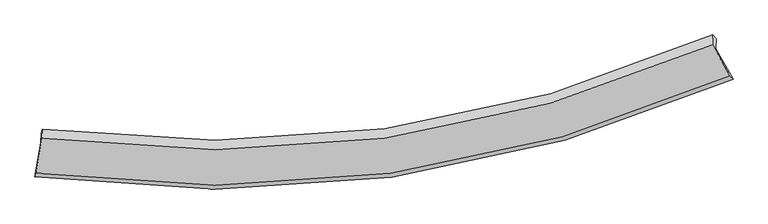
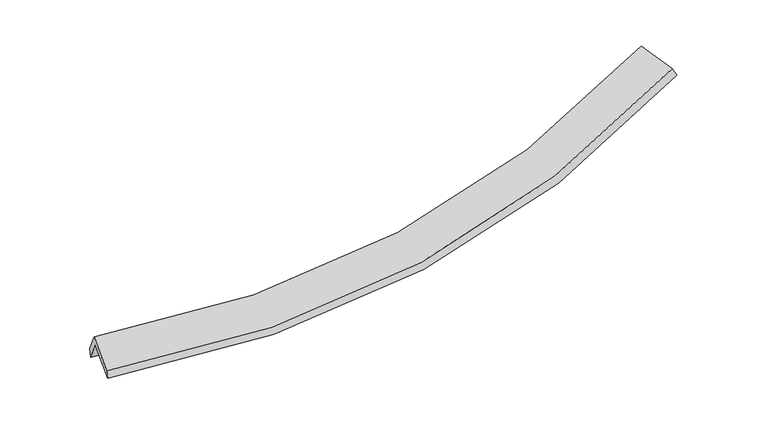
"""IFC4 building model written with IfcOpenShell, lengths in millimetres: proxy geometry."""

from ifc_helpers import new_model, si_unit, frame, origin, place, context, project, spatial, source, transform, mapped, element, save
from ifc_brep_helpers import plane_surface, spline_curve, spline_surface, advanced_brep


def generic_models_b352f3f7(model_context):
    return source(origin(), model_context, "Body", "AdvancedBrep", [
        advanced_brep(
        [(-6099.4674658, -2698.3568441, 1473.5217741), (-5995.4704789, -2101.9451339, 1764.3338116), (5845.5879413, -448.0197766, 2741.0408402), (6148.2817205, -984.0867986, 2486.4386702), (-5989.3496946, -1928.7662882, 1406.981222), (5851.6365879, -276.8819635, 2387.8998984), (-5971.1965888, -1857.2541059, 1546.1394701), (5793.4501006, -206.44162, 2499.250685), (-5976.9584574, -2020.2779454, 1882.5373192), (5787.24076, -382.1260415, 2861.7735018), (-6084.1855639, -2635.2140496, 1582.6927348), (6091.1070224, -920.2695169, 2606.1851313)],
        [
            (0, 1),
            (1, 2, spline_curve(3, [(-5995.4704789, -2101.9451339, 1764.3338116), (-3929.719360106, -2386.25450141, 1652.256394813), (-1913.661115245, -2392.173125612, 1676.776774651), (2034.122063233, -1845.143123608, 2000.246479232), (3965.08329259, -1287.916047228, 2301.295109077), (5845.5879413, -448.0197766, 2741.0408402)], [4, 2, 4], [0.0, 20.183593194019306, 40.521690897700665])),
            (2, 3),
            (3, 0, spline_curve(3, [(6148.2817205, -984.0867986, 2486.4386702), (4203.080884042, -1842.852342058, 2036.440459281), (2205.745067151, -2414.545226642, 1727.244591899), (-1877.627105049, -2981.623474342, 1391.736795234), (-3962.874349525, -2981.353938295, 1363.293697877), (-6099.4674658, -2698.3568441, 1473.5217741)], [4, 2, 4], [0.0, 20.33809770368136, 40.521690897700665])),
            (1, 4),
            (4, 5, spline_curve(3, [(-5989.3496946, -1928.7662882, 1406.981222), (-3923.545254528, -2211.567010123, 1291.790731151), (-1907.466213481, -2216.897226377, 1315.096938712), (2040.293419292, -1670.533425993, 1639.941342741), (3971.209806024, -1114.575101423, 1943.608028035), (5851.6365879, -276.8819635, 2387.8998984)], [4, 2, 4], [0.0, 19.84663353701498, 39.845192172480104])),
            (5, 2),
            (4, 6),
            (6, 7, spline_curve(3, [(-5971.1965888, -1857.2541059, 1546.1394701), (-3921.502129907, -2125.160623165, 1438.610794943), (-1919.822005758, -2123.103982067, 1463.462865495), (2002.464799832, -1576.982085052, 1779.132109135), (3922.333571685, -1028.767897128, 2071.983776831), (5793.4501006, -206.44162, 2499.250685)], [4, 2, 4], [0.0, 19.776526450213538, 39.70444133224081])),
            (7, 5),
            (6, 8),
            (8, 9, spline_curve(3, [(-5976.9584574, -2020.2779454, 1882.5373192), (-3927.279566255, -2288.624924736, 1775.91753258), (-1925.644260962, -2287.83637304, 1803.386290564), (1996.493837031, -1745.92194989, 2127.737610215), (3916.258270281, -1200.659867517, 2426.680912801), (5787.24076, -382.1260415, 2861.7735018)], [4, 2, 4], [0.0, 19.70644047207939, 39.56373287092202])),
            (9, 7),
            (8, 10),
            (10, 11, spline_curve(3, [(-6084.1855639, -2635.2140496, 1582.6927348), (-3958.314320878, -2914.647180025, 1472.00545314), (-1884.440546347, -2913.072160636, 1501.092656167), (2174.789439692, -2345.742659146, 1840.108663366), (4159.346527338, -1775.669501364, 2152.185592057), (6091.1070224, -920.2695169, 2606.1851313)], [4, 2, 4], [0.0, 20.05582992234898, 40.26518633218862])),
            (11, 9),
            (10, 0),
            (3, 11),
        ],
        [
            spline_surface(3, 3, [[(-6099.4674658, -2698.3568441, 1473.5217741), (-3962.87434962, -2981.353938096, 1363.29369774), (-1877.627104762, -2981.623474161, 1391.73679552), (2205.745066862, -2414.545226824, 1727.244591611), (4203.080884084, -1842.852342274, 2036.440459226), (6148.2817205, -984.0867986, 2486.4386702)], [(-6064.801803494, -2499.552940688, 1570.459119911), (-3951.822686333, -2782.987459238, 1459.614596719), (-1889.638441626, -2785.140024586, 1486.750121813), (2148.537399062, -2224.744525819, 1818.245220879), (4123.748353532, -1657.873577347, 2124.725342581), (6047.383794095, -805.397791269, 2571.306060214)], [(-6030.136141206, -2300.749037312, 1667.396465789), (-3940.771023065, -2584.620980417, 1555.935495763), (-1901.64977855, -2588.656574999, 1581.763448141), (2091.329731203, -2034.943824802, 1909.245850182), (4044.415822994, -1472.894812413, 2213.010225892), (5946.485867705, -626.708783931, 2656.173450186)], [(-5995.4704789, -2101.9451339, 1764.3338116), (-3929.719359779, -2386.254501558, 1652.256394742), (-1913.661115414, -2392.173125424, 1676.776774434), (2034.122063404, -1845.143123797, 2000.246479451), (3965.083292442, -1287.916047485, 2301.295109247), (5845.5879413, -448.0197766, 2741.0408402)]], [4, 4], [4, 2, 4], [0.0, 2.1372372602917578], [0.0, 20.183593194019306, 40.521690897700665]),
            spline_surface(3, 3, [[(-5995.4704789, -2101.9451339, 1764.3338116), (-3929.719359779, -2386.254501558, 1652.256394742), (-1913.661115414, -2392.173125424, 1676.776774434), (2034.122063404, -1845.143123797, 2000.246479451), (3965.083292442, -1287.916047485, 2301.295109247), (5845.5879413, -448.0197766, 2741.0408402)], [(-5993.430217491, -2044.218851998, 1645.216281736), (-3927.661324651, -2328.025337688, 1532.101173624), (-1911.596148116, -2333.747825684, 1556.216829166), (2036.179182022, -1786.939891228, 1880.144767279), (3967.125463592, -1230.135732188, 2182.066082083), (5847.604156815, -390.973838903, 2623.327192909)], [(-5991.389956009, -1986.492570102, 1526.098751864), (-3925.603289451, -2269.796173824, 1411.945952497), (-1909.531180783, -2275.322525982, 1435.656883843), (2038.236300677, -1728.736658698, 1760.043055052), (3969.167634796, -1172.355416882, 2062.837054993), (5849.620372385, -333.927901197, 2505.613545691)], [(-5989.3496946, -1928.7662882, 1406.981222), (-3923.545254324, -2211.567009954, 1291.790731379), (-1907.466213484, -2216.897226242, 1315.096938574), (2040.293419295, -1670.533426129, 1639.94134288), (3971.209805946, -1114.575101585, 1943.608027829), (5851.6365879, -276.8819635, 2387.8998984)]], [4, 4], [4, 2, 4], [0.0, 1.3162427097203926], [0.0, 19.84663353701498, 39.845192172480104]),
            spline_surface(3, 3, [[(-5989.3496946, -1928.7662882, 1406.981222), (-3923.545254324, -2211.567009954, 1291.790731379), (-1907.466213484, -2216.897226242, 1315.096938574), (2040.293419295, -1670.533426129, 1639.94134288), (3971.209805946, -1114.575101585, 1943.608027829), (5851.6365879, -276.8819635, 2387.8998984)], [(-5983.298659326, -1904.928894113, 1453.367304721), (-3922.864212895, -2182.764881003, 1340.730752536), (-1911.584810862, -2185.632811568, 1364.552247536), (2027.683879403, -1639.349645738, 1686.338264914), (3954.917727852, -1085.972700113, 1986.399944107), (5832.241092149, -253.401849001, 2425.01682727)], [(-5977.247624074, -1881.091499987, 1499.753387379), (-3922.183171488, -2153.962752013, 1389.670773632), (-1915.703408203, -2154.368396866, 1414.007556592), (2015.074339546, -1608.165865318, 1732.735187041), (3938.62564971, -1057.370298637, 2029.191860376), (5812.845596351, -229.921734499, 2462.13375613)], [(-5971.1965888, -1857.2541059, 1546.1394701), (-3921.502130059, -2125.160623063, 1438.610794789), (-1919.822005581, -2123.103982192, 1463.462865555), (2002.464799653, -1576.982084927, 1779.132109075), (3922.333571616, -1028.767897165, 2071.983776655), (5793.4501006, -206.44162, 2499.250685)]], [4, 4], [4, 2, 4], [0.0, 0.5689286614297403], [0.0, 19.776526450213538, 39.70444133224081]),
            spline_surface(3, 3, [[(-5971.1965888, -1857.2541059, 1546.1394701), (-3921.502130059, -2125.160623063, 1438.610794789), (-1919.822005581, -2123.103982192, 1463.462865555), (2002.464799653, -1576.982084927, 1779.132109075), (3922.333571616, -1028.767897165, 2071.983776655), (5793.4501006, -206.44162, 2499.250685)], [(-5973.117211651, -1911.595385714, 1658.272086437), (-3923.427942099, -2179.648723579, 1551.046373985), (-1921.762757282, -2178.014779058, 1576.770673889), (2000.474478688, -1633.295373329, 1895.333942833), (3920.308471195, -1086.06522055, 2190.216155471), (5791.380320404, -265.003093814, 2620.091623929)], [(-5975.037834549, -1965.936665586, 1770.404702863), (-3925.353754187, -2234.136824153, 1663.481953269), (-1923.703508985, -2232.925575928, 1690.078482161), (1998.484157719, -1689.608661735, 2011.535776527), (3918.283370763, -1143.362543994, 2308.448534299), (5789.310540196, -323.564567686, 2740.932562871)], [(-5976.9584574, -2020.2779454, 1882.5373192), (-3927.279566227, -2288.624924669, 1775.917532465), (-1925.644260686, -2287.836372794, 1803.386290495), (1996.493836753, -1745.921950137, 2127.737610285), (3916.258270343, -1200.659867379, 2426.680913115), (5787.24076, -382.1260415, 2861.7735018)]], [4, 4], [4, 2, 4], [0.0, 1.2553888613488864], [0.0, 19.70644047207939, 39.56373287092202]),
            spline_surface(3, 3, [[(-5976.9584574, -2020.2779454, 1882.5373192), (-3927.279566227, -2288.624924669, 1775.917532465), (-1925.644260686, -2287.836372794, 1803.386290495), (1996.493836753, -1745.921950137, 2127.737610285), (3916.258270343, -1200.659867379, 2426.680913115), (5787.24076, -382.1260415, 2861.7735018)], [(-6012.700826245, -2225.256646823, 1782.589124407), (-3937.624484418, -2497.299009832, 1674.613505955), (-1911.909689153, -2496.248302014, 1702.621745803), (2055.925704366, -1945.862186524, 2031.861294546), (3997.287689216, -1392.329745391, 2335.182472656), (5888.529514109, -561.507199968, 2776.577378299)], [(-6048.443195055, -2430.235348177, 1682.640929593), (-3947.969402575, -2705.973094924, 1573.309479424), (-1898.1751177, -2704.660231249, 1601.857201133), (2115.357571898, -2145.802422927, 1935.984978829), (4078.317108163, -1583.999623398, 2243.6840322), (5989.818268291, -740.888358432, 2691.381254801)], [(-6084.1855639, -2635.2140496, 1582.6927348), (-3958.314320766, -2914.647180086, 1472.005452915), (-1884.440546167, -2913.072160469, 1501.092656441), (2174.789439511, -2345.742659315, 1840.10866309), (4159.346527037, -1775.66950141, 2152.185591741), (6091.1070224, -920.2695169, 2606.1851313)]], [4, 4], [4, 2, 4], [0.0, 2.259259111986476], [0.0, 20.05582992234898, 40.26518633218862]),
            spline_surface(3, 3, [[(-6084.1855639, -2635.2140496, 1582.6927348), (-3958.314320766, -2914.647180086, 1472.005452915), (-1884.440546167, -2913.072160469, 1501.092656441), (2174.789439511, -2345.742659315, 1840.10866309), (4159.346527037, -1775.66950141, 2152.185591741), (6091.1070224, -920.2695169, 2606.1851313)], [(-6089.279531194, -2656.261647764, 1546.302414588), (-3959.834330378, -2936.882766087, 1435.768201211), (-1882.169399056, -2935.922598372, 1464.640702812), (2185.107981937, -2368.67684849, 1802.487305942), (4173.92464608, -1798.06378171, 2113.603880915), (6110.165255128, -941.541944145, 2566.269644279)], [(-6094.373498506, -2677.309245936, 1509.912094312), (-3961.354340008, -2959.118352096, 1399.530949444), (-1879.898251873, -2958.773036258, 1428.188749149), (2195.426524435, -2391.611037648, 1764.865948759), (4188.50276504, -1820.458061975, 2075.022170052), (6129.223487772, -962.814371355, 2526.354157221)], [(-6099.4674658, -2698.3568441, 1473.5217741), (-3962.87434962, -2981.353938096, 1363.29369774), (-1877.627104762, -2981.623474161, 1391.73679552), (2205.745066862, -2414.545226824, 1727.244591611), (4203.080884084, -1842.852342274, 2036.440459226), (6148.2817205, -984.0867986, 2486.4386702)]], [4, 4], [4, 2, 4], [0.0, 0.43308532283782486], [0.0, 20.462926798637234, 41.082496393276266]),
            plane_surface(frame((5919.5506888, -536.3042862, 2597.0981211), z_axis=(0.8906831871163376, 0.40294119283074714, 0.21052756424852737), x_axis=(0.45436322391806205, -0.8046717741653808, -0.3821745630105742))),
            plane_surface(frame((-6019.4380416, -2206.9690612, 1609.367722), z_axis=(-0.9878191135823915, 0.1459978200580572, 0.05383340393838731), x_axis=(0.12029321876876013, 0.49703564715844084, 0.8593515619186604))),
        ],
        [
            (0, [[1, 2, 3, 4]]),
            (1, [[5, 6, 7, -2]]),
            (2, [[8, 9, 10, -6]]),
            (3, [[11, 12, 13, -9]]),
            (4, [[14, 15, 16, -12]]),
            (5, [[17, -4, 18, -15]]),
            (6, [[-16, -18, -3, -7, -10, -13]]),
            (7, [[-17, -14, -11, -8, -5, -1]]),
        ],
    ),
    ])


if __name__ == "__main__":
    model = new_model("IFC4")
    model_context = context("Model", 3, world=origin())
    ifc_project = project(units=[si_unit("LENGTHUNIT", "METRE", prefix="MILLI")], contexts=[model_context])
    site = spatial("IfcSite", under=ifc_project)
    building = spatial("IfcBuilding", under=site)
    placement = place(None, origin())
    generic_models_shape = generic_models_b352f3f7(model_context)
    element("IfcBuildingElementProxy", 1, Name="Generic Models", at=placement, inside=building, context=model_context, shape_type="MappedRepresentation", body=[
        mapped(generic_models_shape, transform((0.0, 0.0, 0.0), x_axis=(1.0, 0.0, 0.0), y_axis=(0.0, 1.0, 0.0), z_axis=(0.0, 0.0, 1.0))),
    ])
    save(model, "model.ifc")
